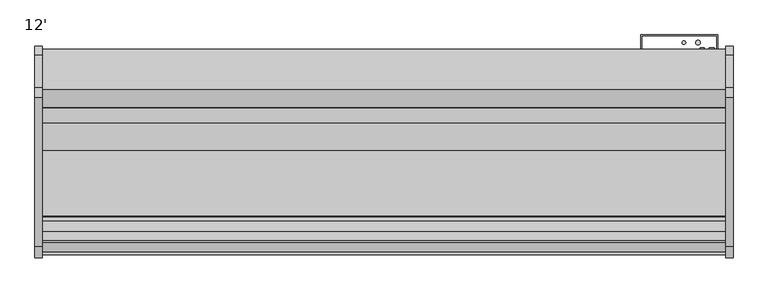
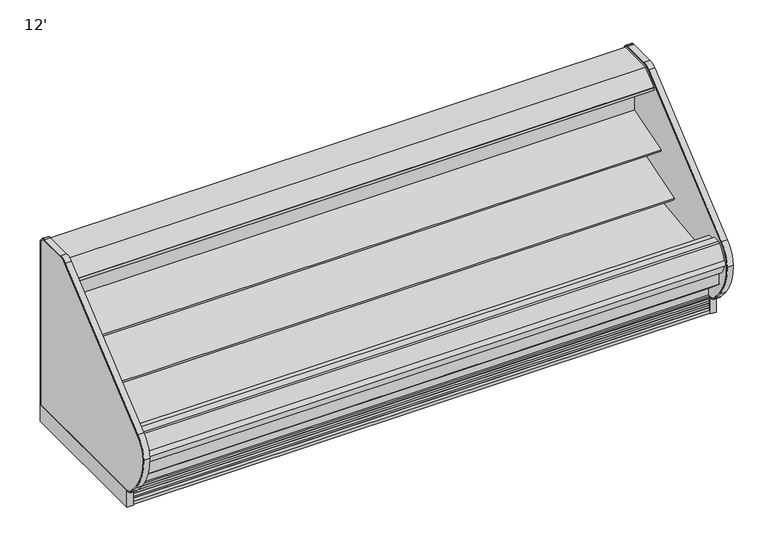
"""IFC4 building model written with IfcOpenShell, lengths in millimetres: proxy geometry, 12'."""

import ifcopenshell
import ifcopenshell.guid

model = None  # the IFC model being written
_history = None  # IfcOwnerHistory: only IFC2X3 demands one
_inside = {}  # id of a spatial element -> (the spatial element, [elements in it])
_under = {}  # id of a project, library or spatial element -> (it, [spatial elements below it])
_declared = {}  # id of a project -> (the project, [libraries it declares])
_typed = {}  # id of a type object -> (the type object, [elements of that type])
_made_of = {}  # id of a material, layer set ... -> (it, [elements and type objects made of it])


def new_model(schema):
    """Start an empty IFC model of exactly this schema.

    Asked for "IFC4X3", IfcOpenShell would pick the latest addendum, in which some entities
    have other attributes; the version numbers below select the first issue.
    IFC2X3 requires an IfcOwnerHistory on every rooted entity: one is made here for all.
    """
    global model, _history
    if schema == "IFC4X3":
        model = ifcopenshell.file(schema_version=(4, 3, 0, 0))
    else:
        model = ifcopenshell.file(schema=schema)
    _inside.clear()
    _under.clear()
    _declared.clear()
    _typed.clear()
    _made_of.clear()
    _history = None
    if model.schema == "IFC2X3":
        org = make("IfcOrganization", Name="unknown")
        user = make(
            "IfcPersonAndOrganization",
            ThePerson=make("IfcPerson", FamilyName="unknown"),
            TheOrganization=org,
        )
        app = make(
            "IfcApplication",
            ApplicationDeveloper=org,
            Version="unknown",
            ApplicationFullName="unknown",
            ApplicationIdentifier="unknown",
        )
        _history = make(
            "IfcOwnerHistory",
            OwningUser=user,
            OwningApplication=app,
            ChangeAction="ADDED",
            CreationDate=0,
        )
    return model


def make(cls, **values):
    """One entity of the class cls with the attributes given. An attribute that is None is left unset."""
    return model.create_entity(
        cls, **{name: value for name, value in values.items() if value is not None}
    )


def rooted(cls, **values):
    """An entity with a GlobalId (a new one), such as an element, a storey or a relation."""
    return make(cls, GlobalId=ifcopenshell.guid.new(), OwnerHistory=_history, **values)


def si_unit(unit_type, name, prefix=None):
    """IfcSIUnit, for example si_unit("LENGTHUNIT", "METRE", prefix="MILLI")."""
    return make("IfcSIUnit", UnitType=unit_type, Prefix=prefix, Name=name)


def assignment(units):
    """IfcUnitAssignment: the units of a project."""
    return None if units is None else make("IfcUnitAssignment", Units=units)


def point(xyz):
    """IfcCartesianPoint."""
    return None if xyz is None else make("IfcCartesianPoint", Coordinates=xyz)


def direction(xyz):
    """IfcDirection."""
    return None if xyz is None else make("IfcDirection", DirectionRatios=xyz)


def frame(location, z_axis=None, x_axis=None):
    """IfcAxis2Placement3D, a coordinate frame: its origin and axes. An axis left out is left unset."""
    return make(
        "IfcAxis2Placement3D",
        Location=point(location),
        Axis=direction(z_axis),
        RefDirection=direction(x_axis),
    )


def frame_2d(location, x_axis=None):
    """IfcAxis2Placement2D, a coordinate frame in the plane: its origin and x axis."""
    return make(
        "IfcAxis2Placement2D", Location=point(location), RefDirection=direction(x_axis)
    )


def origin():
    """The frame at (0, 0, 0) with its axes left unset."""
    return frame((0.0, 0.0, 0.0))


def origin_with_axes():
    """The frame at (0, 0, 0) with the z axis (0, 0, 1) and the x axis (1, 0, 0) written out."""
    return frame((0.0, 0.0, 0.0), z_axis=(0.0, 0.0, 1.0), x_axis=(1.0, 0.0, 0.0))


def place(relative_to, where):
    """IfcLocalPlacement: puts the frame where relative to a parent placement (None: the world)."""
    return make(
        "IfcLocalPlacement", PlacementRelTo=relative_to, RelativePlacement=where
    )


def context(
    kind, dimensions, precision=None, world=None, true_north=None, identifier=None
):
    """IfcGeometricRepresentationContext, for example the 3D "Model" context."""
    return make(
        "IfcGeometricRepresentationContext",
        ContextIdentifier=identifier,
        ContextType=kind,
        CoordinateSpaceDimension=dimensions,
        Precision=precision,
        WorldCoordinateSystem=world,
        TrueNorth=true_north,
    )


def project(units=None, contexts=None):
    """IfcProject with its units and contexts."""
    return rooted(
        "IfcProject",
        Name="project",
        RepresentationContexts=contexts,
        UnitsInContext=assignment(units),
    )


def spatial(cls, under=None, at=None, **own):
    """A site, building, storey or space (cls), placed at a placement, below another one or the project."""
    s = rooted(cls, ObjectPlacement=at, **own)
    if under is not None:
        _under.setdefault(under.id(), (under, []))[1].append(s)
    return s


def polyline(points):
    """IfcPolyline through the points."""
    return make("IfcPolyline", Points=[point(p) for p in points])


def circle_curve(where, radius):
    """IfcCircle in the frame where."""
    return make("IfcCircle", Position=where, Radius=radius)


def trimmed(basis, trim1, trim2, sense, master):
    """IfcTrimmedCurve: the piece of a basis curve between two trims."""
    return make(
        "IfcTrimmedCurve",
        BasisCurve=basis,
        Trim1=trim1,
        Trim2=trim2,
        SenseAgreement=sense,
        MasterRepresentation=master,
    )


def segment(curve, same_sense, transition):
    """IfcCompositeCurveSegment."""
    return make(
        "IfcCompositeCurveSegment",
        Transition=transition,
        SameSense=same_sense,
        ParentCurve=curve,
    )


def composite_curve(segments, self_intersect=None):
    """IfcCompositeCurve: segments joined end to end."""
    return make("IfcCompositeCurve", Segments=segments, SelfIntersect=self_intersect)


def outline(outer, holes=None, kind="AREA"):
    """IfcArbitraryClosedProfileDef: a profile drawn as a closed curve; with holes, ...WithVoids."""
    if holes is None:
        return make("IfcArbitraryClosedProfileDef", ProfileType=kind, OuterCurve=outer)
    return make(
        "IfcArbitraryProfileDefWithVoids",
        ProfileType=kind,
        OuterCurve=outer,
        InnerCurves=holes,
    )


def extrude(swept, where, along, depth):
    """IfcExtrudedAreaSolid: the profile swept, set in the frame where, extruded along a direction by depth."""
    return make(
        "IfcExtrudedAreaSolid",
        SweptArea=swept,
        Position=where,
        ExtrudedDirection=direction(along),
        Depth=depth,
    )


def shape(context_of_items, identifier, shape_type, items):
    """IfcShapeRepresentation: the items that make up one representation, for example the "Body"."""
    return make(
        "IfcShapeRepresentation",
        ContextOfItems=context_of_items,
        RepresentationIdentifier=identifier,
        RepresentationType=shape_type,
        Items=items,
    )


def source(mapping_origin, context_of_items, identifier, shape_type, items):
    """IfcRepresentationMap: a shape defined once, which mapped items show again and again."""
    return make(
        "IfcRepresentationMap",
        MappingOrigin=mapping_origin,
        MappedRepresentation=shape(context_of_items, identifier, shape_type, items),
    )


def transform(
    local_origin,
    x_axis=None,
    y_axis=None,
    z_axis=None,
    scale=None,
    scale2=None,
    scale3=None,
    uniform=True,
):
    """IfcCartesianTransformationOperator3D, or its non-uniform kind. x_axis, y_axis, z_axis: its Axis1, 2, 3."""
    if uniform:
        return make(
            "IfcCartesianTransformationOperator3D",
            Axis1=direction(x_axis),
            Axis2=direction(y_axis),
            LocalOrigin=point(local_origin),
            Scale=scale,
            Axis3=direction(z_axis),
        )
    return make(
        "IfcCartesianTransformationOperator3DnonUniform",
        Axis1=direction(x_axis),
        Axis2=direction(y_axis),
        LocalOrigin=point(local_origin),
        Scale=scale,
        Axis3=direction(z_axis),
        Scale2=scale2,
        Scale3=scale3,
    )


def mapped(mapping_source, mapping_target):
    """IfcMappedItem: shows the shape of a source again, moved by a transform."""
    return make(
        "IfcMappedItem", MappingSource=mapping_source, MappingTarget=mapping_target
    )


def made_of(thing, what):
    """Note that an element or type object is made of a material, layer set ...; save() writes the relation."""
    if what is not None:
        _made_of.setdefault(what.id(), (what, []))[1].append(thing)
    return thing


def element(
    cls,
    number,
    at=None,
    inside=None,
    cuts=None,
    type_object=None,
    material=None,
    context=None,
    identifier="Body",
    shape_type=None,
    held_by="IfcProductDefinitionShape",
    body=None,
    shapes=None,
    **own,
):
    """One element of the class cls, such as IfcWall. Its Tag is "e" and its number.

    at: its placement. inside: the storey or other place that contains it. cuts: it is an
    opening in that element (IfcRelVoidsElement). A single representation is given by context,
    identifier, shape_type and body (its items); several are given by shapes. held_by: the class
    of the entity that holds the representations. save() writes the other relations.
    """
    e = rooted(cls, Tag="e%d" % number, ObjectPlacement=at, **own)
    if body is not None:
        shapes = [shape(context, identifier, shape_type, body)]
    if shapes is not None:
        e.Representation = make(held_by, Representations=shapes)
    if inside is not None:
        _inside.setdefault(inside.id(), (inside, []))[1].append(e)
    if cuts is not None:
        rooted(
            "IfcRelVoidsElement", RelatingBuildingElement=cuts, RelatedOpeningElement=e
        )
    if type_object is not None:
        _typed.setdefault(type_object.id(), (type_object, []))[1].append(e)
    return made_of(e, material)


def aggregate(whole, parts):
    """IfcRelAggregates: a whole, such as a stair, and the parts it consists of."""
    return rooted("IfcRelAggregates", RelatingObject=whole, RelatedObjects=parts)


def save(model, path):
    """Write the relations noted so far, then the file.

    IfcRelAggregates (storeys below a building ...), IfcRelContainedInSpatialStructure (elements
    in a storey), IfcRelDefinesByType, IfcRelAssociatesMaterial and IfcRelDeclares: one each for
    every whole, place, type object, material and project.
    """
    for whole, parts in _under.values():
        aggregate(whole, parts)
    for where, things in _inside.values():
        rooted(
            "IfcRelContainedInSpatialStructure",
            RelatedElements=things,
            RelatingStructure=where,
        )
    for kind, things in _typed.values():
        rooted("IfcRelDefinesByType", RelatedObjects=things, RelatingType=kind)
    for what, things in _made_of.values():
        rooted("IfcRelAssociatesMaterial", RelatedObjects=things, RelatingMaterial=what)
    for by, libraries in _declared.values():
        rooted("IfcRelDeclares", RelatingContext=by, RelatedDefinitions=libraries)
    model.write(path)


def plane_surface(at):
    """IfcPlane: the flat surface through the origin of the frame at, square to its z axis."""
    return make("IfcPlane", Position=at)


def cylinder_surface(at, radius):
    """IfcCylindricalSurface: all points at the distance radius from the z axis of the frame at."""
    return make("IfcCylindricalSurface", Position=at, Radius=radius)


def revolved_surface(curve, axis_point, axis_direction):
    """IfcSurfaceOfRevolution: the curve turned about the line through axis_point along axis_direction."""
    return make(
        "IfcSurfaceOfRevolution",
        SweptCurve=make("IfcArbitraryOpenProfileDef", ProfileType="CURVE", Curve=curve),
        AxisPosition=make("IfcAxis1Placement", Location=point(axis_point), Axis=direction(axis_direction)),
    )


def advanced_brep(points, edges, surfaces, faces):
    """IfcAdvancedBrep: a solid bounded by faces that lie on surfaces and meet in shared edges.

    An edge is (start, end): straight between two places in points (the first is 0);
    or (start, end, curve); or (start, end, curve, False) where it runs against its curve.
    A face is (place in surfaces, loops), or (place, loops, False) where it looks against
    its surface's normal. A loop lists edges by number (the first is 1), with a minus sign
    where the edge is run from its end to its start. The first loop is the outer one.
    """
    corners = [point(p) for p in points]
    vertices = [make("IfcVertexPoint", VertexGeometry=c) for c in corners]
    made = []
    for start, end, *more in edges:
        made.append(
            make(
                "IfcEdgeCurve",
                EdgeStart=vertices[start],
                EdgeEnd=vertices[end],
                EdgeGeometry=more[0] if more else make("IfcPolyline", Points=[corners[start], corners[end]]),
                SameSense=more[1] if len(more) > 1 else True,
            )
        )
    hull = []
    for where, loops, *sense in faces:
        bounds = []
        for j, loop in enumerate(loops):
            ring = [make("IfcOrientedEdge", EdgeElement=made[abs(k) - 1], Orientation=k > 0) for k in loop]
            bounds.append(
                make(
                    "IfcFaceOuterBound" if j == 0 else "IfcFaceBound",
                    Bound=make("IfcEdgeLoop", EdgeList=ring),
                    Orientation=True,
                )
            )
        hull.append(make("IfcAdvancedFace", Bounds=bounds, FaceSurface=surfaces[where], SameSense=sense[0] if sense else True))
    return make("IfcAdvancedBrep", Outer=make("IfcClosedShell", CfsFaces=hull))


def proxy_12_c8f3f710(model_context):
    return source(origin(), model_context, "Body", "SolidModel", [
        extrude(outline(composite_curve([segment(trimmed(circle_curve(frame_2d((3409.8252137, -1128.5839273)), 9.525), [point((3400.3002137, -1128.5839273))], [point((3419.3502137, -1128.5839273))], False, "CARTESIAN"), True, "CONTINUOUS"), segment(trimmed(circle_curve(frame_2d((3409.8252137, -1128.5839273)), 9.525), [point((3419.3502137, -1128.5839273))], [point((3400.3002137, -1128.5839273))], False, "CARTESIAN"), True, "CONTINUOUS")], self_intersect=False)), frame((0.0, 0.0, 68.5310382), z_axis=(0.0, 0.0, 1.0), x_axis=(1.0, 0.0, 0.0)), (0.0, 0.0, 1.0), 52.7807458),
        extrude(outline(composite_curve([segment(trimmed(circle_curve(frame_2d((3459.479026, -1128.5839273)), 12.7), [point((3446.779026, -1128.5839273))], [point((3472.179026, -1128.5839273))], False, "CARTESIAN"), True, "CONTINUOUS"), segment(trimmed(circle_curve(frame_2d((3459.479026, -1128.5839273)), 12.7), [point((3472.179026, -1128.5839273))], [point((3446.779026, -1128.5839273))], False, "CARTESIAN"), True, "CONTINUOUS")], self_intersect=False)), frame((0.0, 0.0, 68.5310382), z_axis=(0.0, 0.0, 1.0), x_axis=(1.0, 0.0, 0.0)), (0.0, 0.0, 1.0), 52.7807458),
        extrude(outline(composite_curve([segment(polyline([(-514.5184043, 1137.9230838), (-504.8108903, 1140.9213787), (-504.5441858, 1140.0578752), (-503.4770145, 1140.0578752), (-503.4770145, 1046.2935435), (-528.7722287, 1042.7407473)]), True, "CONTINUOUS"), segment(trimmed(circle_curve(frame_2d((-528.9121117, 1044.3144225)), 1.57988), [point((-528.7722287, 1042.7407473))], [point((-530.4766164, 1044.0945457))], False, "CARTESIAN"), True, "CONTINUOUS"), segment(polyline([(-530.4766164, 1044.0945457), (-531.3614261, 1050.3902938), (-530.5766584, 1050.5005857), (-529.5822638, 1043.4251005), (-506.0015054, 1046.73916), (-520.0975442, 1147.0376871), (-542.8581255, 1144.0153314)]), True, "CONTINUOUS"), segment(trimmed(circle_curve(frame_2d((-542.7544773, 1143.234783)), 0.7874), [point((-542.8581255, 1144.0153314))], [point((-543.5350257, 1143.1311347))], True, "CARTESIAN"), True, "CONTINUOUS"), segment(polyline([(-543.5350257, 1143.1311347), (-542.5119167, 1135.4263646), (-543.2924653, 1135.3227184), (-544.3155741, 1143.0274865)]), True, "CONTINUOUS"), segment(trimmed(circle_curve(frame_2d((-542.7544773, 1143.234783)), 1.5748), [point((-544.3155741, 1143.0274865))], [point((-542.9617738, 1144.7958798))], False, "CARTESIAN"), True, "CONTINUOUS"), segment(polyline([(-542.9617738, 1144.7958798), (-518.9973626, 1147.9780909)]), True, "CONTINUOUS"), segment(trimmed(circle_curve(frame_2d((-518.7900661, 1146.4169941)), 1.5748), [point((-518.9973626, 1147.9780909))], [point((-517.2854014, 1146.8817298))], False, "CARTESIAN"), True, "CONTINUOUS"), segment(polyline([(-517.2854014, 1146.8817298), (-514.5184043, 1137.9230838)]), True, "CONTINUOUS")], self_intersect=False)), frame((0.0, 0.0, 0.0), z_axis=(1.0, 0.0, 0.0), x_axis=(0.0, 1.0, 0.0)), (0.0, 0.0, 1.0), 3657.6),
        extrude(outline(polyline([(-401.5419232, 1219.2), (-401.5419232, 1172.7720648), (-452.3089273, 1172.7720648), (-452.3089273, 1140.0578752), (-504.5441858, 1140.0578752), (-506.6234348, 1146.7898143), (-511.417881, 1145.3089857), (-535.4879211, 1173.9945425), (-642.2562389, 1173.9945425), (-643.0944389, 1173.1563425), (-643.0944389, 1162.0311425), (-643.6525285, 1160.8523324), (-688.2903714, 1124.2763324), (-689.2562818, 1123.9311425), (-700.752905, 1123.9311425), (-700.752905, 1121.9993669), (-715.8339273, 1121.9993669), (-715.8339273, 1140.2683169), (-715.2407658, 1141.5119059), (-619.3039593, 1219.2), (-401.5419232, 1219.2)])), frame((0.0, 0.0, 0.0), z_axis=(1.0, 0.0, 0.0), x_axis=(0.0, 1.0, 0.0)), (0.0, 0.0, 1.0), 3657.6),
        extrude(outline(composite_curve([segment(polyline([(-506.0015054, 1046.73916), (-529.5822638, 1043.4251005), (-530.5766584, 1050.5005857), (-542.5070926, 1135.3900359), (-543.5350257, 1143.1311347)]), True, "CONTINUOUS"), segment(trimmed(circle_curve(frame_2d((-542.7544773, 1143.234783)), 0.7874), [point((-543.5350257, 1143.1311347))], [point((-542.8581255, 1144.0153314))], False, "CARTESIAN"), True, "CONTINUOUS"), segment(polyline([(-542.8581255, 1144.0153314), (-520.0975442, 1147.0376871), (-506.0015054, 1046.73916)]), True, "CONTINUOUS")], self_intersect=False)), frame((0.0, 0.0, 0.0), z_axis=(1.0, 0.0, 0.0), x_axis=(0.0, 1.0, 0.0)), (0.0, 0.0, 1.0), 3657.6),
        extrude(outline(composite_curve([segment(trimmed(circle_curve(frame_2d((-587.0366389, 1151.3155175)), 14.2875), [point((-601.3241389, 1151.3155175))], [point((-572.7491389, 1151.3155175))], False, "CARTESIAN"), True, "CONTINUOUS"), segment(trimmed(circle_curve(frame_2d((-587.0366389, 1151.3155175)), 14.2875), [point((-572.7491389, 1151.3155175))], [point((-601.3241389, 1151.3155175))], False, "CARTESIAN"), True, "CONTINUOUS")], self_intersect=False)), frame((0.0, 0.0, 0.0), z_axis=(1.0, 0.0, 0.0), x_axis=(0.0, 1.0, 0.0)), (0.0, 0.0, 1.0), 3657.6),
        extrude(outline(composite_curve([segment(trimmed(circle_curve(frame_2d((-624.4254389, 1151.3155175)), 14.2875), [point((-638.7129389, 1151.3155175))], [point((-610.1379389, 1151.3155175))], False, "CARTESIAN"), True, "CONTINUOUS"), segment(trimmed(circle_curve(frame_2d((-624.4254389, 1151.3155175)), 14.2875), [point((-610.1379389, 1151.3155175))], [point((-638.7129389, 1151.3155175))], False, "CARTESIAN"), True, "CONTINUOUS")], self_intersect=False)), frame((0.0, 0.0, 0.0), z_axis=(1.0, 0.0, 0.0), x_axis=(0.0, 1.0, 0.0)), (0.0, 0.0, 1.0), 3657.6),
        extrude(outline(polyline([(3606.9852968, -401.5089273), (3606.9852968, -328.4839273), (3207.094795, -328.4839273), (3207.094795, -401.5089273), (3203.1108738, -401.5089273), (3203.1108738, -325.3089273), (3613.15, -325.3089273), (3613.15, -401.5089273), (3606.9852968, -401.5089273)])), frame((0.0, 0.0, 183.281282), z_axis=(0.0, 0.0, 1.0), x_axis=(1.0, 0.0, 0.0)), (0.0, 0.0, 1.0), 925.9383854),
        advanced_brep(
        [(0.0, -401.5089273, 1172.7720648), (0.0, -401.5089273, 130.175), (0.0, -1280.7758002, 130.175), (0.0, -1430.5207837, 255.8259604), (0.0, -1430.5207837, 390.4771975), (0.0, -1379.5124455, 390.4771975), (0.0, -1379.5124455, 334.3739209), (0.0, -1221.964683, 189.2843753), (0.0, -1163.9200968, 157.108203), (0.0, -1097.1040899, 157.108203), (0.0, -1043.9921866, 195.6902403), (0.0, -599.382701, 211.674682), (0.0, -452.3089273, 350.7638053), (0.0, -452.3089273, 1172.7720648), (3657.6, -401.5089273, 1172.7720648), (3657.6, -452.3089273, 1172.7720648), (3657.6, -452.3089273, 350.7638053), (3657.6, -599.382701, 211.674682), (3657.6, -1043.9921866, 195.6902403), (3657.6, -1097.1040899, 157.108203), (3657.6, -1163.9200968, 157.108203), (3657.6, -1221.964683, 189.2843753), (3657.6, -1379.5124455, 334.3739209), (3657.6, -1379.5124455, 390.4771975), (3657.6, -1430.5207837, 390.4771975), (3657.6, -1430.5207837, 255.8259604), (3657.6, -1280.7758002, 130.175), (3657.6, -401.5089273, 130.175), (3556.0, -401.5089273, 417.7254285), (3556.0, -401.5089273, 316.1254285), (3556.0, -446.7209273, 316.1254285), (3556.0, -446.7209273, 417.7254285)],
        [
            (0, 1),
            (1, 2),
            (2, 3),
            (3, 4),
            (4, 5),
            (5, 6),
            (6, 7, circle_curve(frame((0.0, -1227.2834533, 341.5915343), z_axis=(1.0, 0.0, 0.0), x_axis=(0.0, 1.0, 0.0)), 152.4)),
            (7, 8),
            (8, 9),
            (9, 10),
            (10, 11),
            (11, 12, circle_curve(frame((0.0, -604.8944357, 364.8057873), z_axis=(1.0, 0.0, 0.0), x_axis=(0.0, 1.0, 0.0)), 153.2302667)),
            (12, 13),
            (13, 0),
            (14, 15),
            (15, 16),
            (16, 17, circle_curve(frame((3657.6, -604.8944357, 364.8057873), z_axis=(-1.0, 0.0, 0.0), x_axis=(0.0, 1.0, 0.0)), 153.2302667)),
            (17, 18),
            (18, 19),
            (19, 20),
            (20, 21),
            (21, 22, circle_curve(frame((3657.6, -1227.2834533, 341.5915343), z_axis=(-1.0, 0.0, 0.0), x_axis=(0.0, 1.0, 0.0)), 152.4)),
            (22, 23),
            (23, 24),
            (24, 25),
            (25, 26),
            (26, 27),
            (27, 14),
            (13, 15),
            (14, 0),
            (12, 16),
            (5, 23),
            (22, 6),
            (4, 24),
            (3, 25),
            (2, 26),
            (1, 27),
            (28, 29, circle_curve(frame((3556.0, -401.5089273, 366.9254285), z_axis=(0.0, -1.0, 0.0), x_axis=(0.0, 0.0, 1.0)), 50.8)),
            (29, 28, circle_curve(frame((3556.0, -401.5089273, 366.9254285), z_axis=(0.0, -1.0, 0.0), x_axis=(0.0, 0.0, 1.0)), 50.8)),
            (11, 17),
            (10, 18),
            (9, 19),
            (8, 20),
            (7, 21),
            (30, 31, circle_curve(frame((3556.0, -446.7209273, 366.9254285), z_axis=(0.0, 1.0, 0.0), x_axis=(0.0, 0.0, 1.0)), 50.8)),
            (31, 30, circle_curve(frame((3556.0, -446.7209273, 366.9254285), z_axis=(0.0, 1.0, 0.0), x_axis=(0.0, 0.0, 1.0)), 50.8)),
            (30, 29),
            (28, 31),
        ],
        [
            plane_surface(frame((0.0, -452.3089273, 1172.7720648), z_axis=(-1.0, 0.0, 0.0), x_axis=(0.0, 1.0, 0.0))),
            plane_surface(frame((3657.6, -452.3089273, 1172.7720648), z_axis=(1.0, 0.0, 0.0), x_axis=(0.0, -1.0, 0.0))),
            plane_surface(frame((3657.6, -401.5089273, 1172.7720648), z_axis=(0.0, 0.0, 1.0), x_axis=(-1.0, 0.0, 0.0))),
            plane_surface(frame((3657.6, -452.3089273, 1172.7720648), z_axis=(0.0, -1.0, 0.0), x_axis=(-1.0, 0.0, 0.0))),
            plane_surface(frame((3657.6, -1379.5124455, 334.3739209), z_axis=(0.0, 1.0, 0.0), x_axis=(-1.0, 0.0, 0.0))),
            plane_surface(frame((3657.6, -1379.5124455, 390.4771975), z_axis=(0.0, 0.0, 1.0), x_axis=(-1.0, 0.0, 0.0))),
            plane_surface(frame((3657.6, -1430.5207837, 390.4771975), z_axis=(0.0, -1.0, 0.0), x_axis=(-1.0, 0.0, 0.0))),
            plane_surface(frame((3657.6, -1430.5207837, 255.8259604), z_axis=(0.0, -0.6427876096870797, -0.7660444431185247), x_axis=(-1.0, 0.0, 0.0))),
            plane_surface(frame((3657.6, -1280.7758002, 130.175), z_axis=(0.0, 0.0, -1.0), x_axis=(-1.0, 0.0, 0.0))),
            plane_surface(frame((3657.6, -401.5089273, 130.175), z_axis=(0.0, 1.0, 0.0), x_axis=(-1.0, 0.0, 0.0))),
            revolved_surface(polyline([(0.0, -451.664169, 364.8057873), (3657.6, -451.664169, 364.8057873)]), (0.0, -604.8944357, 364.8057873), (-1.0, 0.0, 0.0)),
            plane_surface(frame((3657.6, -599.382701, 211.674682), z_axis=(0.0, -0.03592843195619589, 0.9993543654666092), x_axis=(-1.0, 0.0, 0.0))),
            plane_surface(frame((3657.6, -1043.9921866, 195.6902403), z_axis=(0.0, -0.5877252382161418, 0.8090605937528904), x_axis=(-1.0, 0.0, 0.0))),
            plane_surface(frame((3657.6, -1097.1040899, 157.108203), z_axis=(0.0, 0.0, 1.0), x_axis=(-1.0, 0.0, 0.0))),
            plane_surface(frame((3657.6, -1163.9200968, 157.108203), z_axis=(0.0, 0.4848272875913505, 0.8746099137368694), x_axis=(-1.0, 0.0, 0.0))),
            revolved_surface(polyline([(0.0, -1074.8834533, 341.5915343), (3657.6, -1074.8834533, 341.5915343)]), (0.0, -1227.2834533, 341.5915343), (-1.0, 0.0, 0.0)),
            plane_surface(frame((3556.0, -446.7209273, 417.7254285), z_axis=(0.0, 1.0, 0.0), x_axis=(-1.0, 0.0, 0.0))),
            revolved_surface(polyline([(3556.0, -401.5089273, 417.7254285), (3556.0, -446.7209273, 417.7254285)]), (3556.0, -446.7209273, 366.9254285), (0.0, 1.0, 0.0)),
        ],
        [
            (0, [[1, 2, 3, 4, 5, 6, 7, 8, 9, 10, 11, 12, 13, 14]]),
            (1, [[15, 16, 17, 18, 19, 20, 21, 22, 23, 24, 25, 26, 27, 28]]),
            (2, [[-14, 29, -15, 30]]),
            (3, [[-13, 31, -16, -29]]),
            (4, [[-6, 32, -23, 33]]),
            (5, [[-5, 34, -24, -32]]),
            (6, [[-4, 35, -25, -34]]),
            (7, [[-3, 36, -26, -35]]),
            (8, [[-2, 37, -27, -36]]),
            (9, [[-1, -30, -28, -37], [38, 39]]),
            (10, [[-12, 40, -17, -31]]),
            (11, [[-11, 41, -18, -40]]),
            (12, [[-10, 42, -19, -41]]),
            (13, [[-9, 43, -20, -42]]),
            (14, [[-8, 44, -21, -43]]),
            (15, [[-7, -33, -22, -44]]),
            (16, [[45, 46]]),
            (17, [[-45, 47, -38, 48]]),
            (17, [[-46, -48, -39, -47]]),
        ],
    ),
        extrude(outline(composite_curve([segment(polyline([(-503.4770145, 861.6565177), (-503.4770145, 783.44874), (-520.8520366, 777.8119162)]), True, "CONTINUOUS"), segment(trimmed(circle_curve(frame_2d((-528.6901714, 801.9722896)), 25.4), [point((-520.8520366, 777.8119162))], [point((-538.1963728, 778.4182637))], False, "CARTESIAN"), True, "CONTINUOUS"), segment(polyline([(-538.1963728, 778.4182637), (-559.4917707, 787.0129023)]), True, "CONTINUOUS"), segment(trimmed(circle_curve(frame_2d((-583.257274, 728.1278376)), 63.5), [point((-559.4917707, 787.0129023))], [point((-594.1259367, 790.6907832))], True, "CARTESIAN"), True, "CONTINUOUS"), segment(polyline([(-594.1259367, 790.6907832), (-731.8940366, 773.3507494), (-734.3236807, 776.2056896), (-790.800009, 758.9391433), (-794.9587042, 772.5416221), (-503.4770145, 861.6565177)]), True, "CONTINUOUS")], self_intersect=False)), frame((0.0, 0.0, 0.0), z_axis=(1.0, 0.0, 0.0), x_axis=(0.0, 1.0, 0.0)), (0.0, 0.0, 1.0), 3657.6),
        extrude(outline(composite_curve([segment(polyline([(-503.4770145, 591.8191637), (-522.1893768, 585.7484786)]), True, "CONTINUOUS"), segment(trimmed(circle_curve(frame_2d((-530.0275116, 609.908852)), 25.4), [point((-522.1893768, 585.7484786))], [point((-539.533713, 586.3548261))], False, "CARTESIAN"), True, "CONTINUOUS"), segment(polyline([(-539.533713, 586.3548261), (-560.8291108, 594.9494647)]), True, "CONTINUOUS"), segment(trimmed(circle_curve(frame_2d((-584.5946142, 536.0644)), 63.5), [point((-560.8291108, 594.9494647))], [point((-595.4632769, 598.6273456))], True, "CARTESIAN"), True, "CONTINUOUS"), segment(polyline([(-595.4632769, 598.6273456), (-783.1797893, 566.0165496), (-785.6094334, 568.8714898), (-936.5408538, 522.7271238), (-940.699549, 536.3296027), (-503.4770145, 670.0019461), (-503.4770145, 591.8191637)]), True, "CONTINUOUS")], self_intersect=False)), frame((0.0, 0.0, 0.0), z_axis=(1.0, 0.0, 0.0), x_axis=(0.0, 1.0, 0.0)), (0.0, 0.0, 1.0), 3657.6),
        extrude(outline(composite_curve([segment(trimmed(circle_curve(frame_2d((-1482.5436564, 431.7775332)), 17.7832634), [point((-1486.5018278, 414.4403669))], [point((-1485.8670799, 449.2474878))], False, "CARTESIAN"), True, "CONTINUOUS"), segment(trimmed(circle_curve(frame_2d((-1314.6679362, 401.3886708)), 177.7628003), [point((-1485.8670799, 449.2474878))], [point((-1488.2158442, 439.8690139))], True, "CARTESIAN"), True, "CONTINUOUS"), segment(trimmed(circle_curve(frame_2d((-1361.2858552, 435.6526323)), 126.9999999), [point((-1488.2158442, 439.8690139))], [point((-1486.5018278, 414.4403669))], True, "CARTESIAN"), True, "CONTINUOUS")], self_intersect=False)), frame((0.0, 0.0, 0.0), z_axis=(1.0, 0.0, 0.0), x_axis=(0.0, 1.0, 0.0)), (0.0, 0.0, 1.0), 3657.6),
        extrude(outline(composite_curve([segment(polyline([(-1430.5207837, 390.4771975), (-1430.5207837, 349.191578), (-1455.8537478, 349.191578)]), True, "CONTINUOUS"), segment(trimmed(circle_curve(frame_2d((-1360.3674523, 434.1532094)), 127.8127984), [point((-1455.8537478, 349.191578))], [point((-1488.0175216, 440.6007866))], False, "CARTESIAN"), True, "CONTINUOUS"), segment(trimmed(circle_curve(frame_2d((-1312.8856615, 403.1660664)), 179.0880417), [point((-1488.0175216, 440.6007866))], [point((-1434.0757284, 535.020131))], False, "CARTESIAN"), True, "CONTINUOUS"), segment(trimmed(circle_curve(frame_2d((-1421.997786, 522.055071)), 17.7191838), [point((-1434.0757284, 535.020131))], [point((-1422.9245877, 539.75))], False, "CARTESIAN"), True, "CONTINUOUS"), segment(polyline([(-1422.9245877, 539.75), (-1377.3315877, 539.75), (-1377.3315877, 520.4426474), (-1379.5124455, 520.4426474), (-1379.5124455, 390.4771975), (-1430.5207837, 390.4771975)]), True, "CONTINUOUS")], self_intersect=False)), frame((0.0, 0.0, 0.0), z_axis=(1.0, 0.0, 0.0), x_axis=(0.0, 1.0, 0.0)), (0.0, 0.0, 1.0), 3657.6),
        extrude(outline(composite_curve([segment(polyline([(-1305.8908654, 151.2490419), (-1305.8908654, 0.0), (-1329.0357106, 0.0), (-1329.0357106, 19.9045671)]), True, "CONTINUOUS"), segment(trimmed(circle_curve(frame_2d((-1328.499887, 33.5999438)), 13.7058546), [point((-1329.0357106, 19.9045671))], [point((-1315.4179076, 29.51188))], True, "CARTESIAN"), True, "CONTINUOUS"), segment(polyline([(-1315.4179076, 29.51188), (-1311.9288106, 40.67714), (-1322.5660058, 38.5193172), (-1324.5599058, 38.5193172), (-1324.5599058, 51.2193172)]), True, "CONTINUOUS"), segment(trimmed(circle_curve(frame_2d((-1328.9777736, 64.7214645)), 14.2065314), [point((-1324.5599058, 51.2193172))], [point((-1315.4179076, 60.4840631))], True, "CARTESIAN"), True, "CONTINUOUS"), segment(polyline([(-1315.4179076, 60.4840631), (-1311.9288106, 71.6493231), (-1322.5660058, 69.4915004), (-1324.5599058, 69.4915004), (-1324.5599058, 82.1915004)]), True, "CONTINUOUS"), segment(trimmed(circle_curve(frame_2d((-1329.0501489, 95.765064)), 14.2969897), [point((-1324.5599058, 82.1915004))], [point((-1315.4179076, 91.4562462))], True, "CARTESIAN"), True, "CONTINUOUS"), segment(polyline([(-1315.4179076, 91.4562462), (-1311.9288106, 102.4950543), (-1322.5660058, 100.4638704), (-1324.5599058, 100.4638704), (-1324.5599058, 113.1638704)]), True, "CONTINUOUS"), segment(trimmed(circle_curve(frame_2d((-1323.9621412, 124.1285303)), 10.9809422), [point((-1324.5599058, 113.1638704))], [point((-1316.1764071, 116.3849243))], True, "CARTESIAN"), True, "CONTINUOUS"), segment(polyline([(-1316.1764071, 116.3849243), (-1316.1764071, 159.8796362), (-1305.8908654, 151.2490419)]), True, "CONTINUOUS")], self_intersect=False)), frame((0.0, 0.0, 0.0), z_axis=(1.0, 0.0, 0.0), x_axis=(0.0, 1.0, 0.0)), (0.0, 0.0, 1.0), 3657.6),
        extrude(outline(composite_curve([segment(trimmed(circle_curve(frame_2d((3432.175, -366.5839273)), 9.525), [point((3422.65, -366.5839273))], [point((3441.7, -366.5839273))], False, "CARTESIAN"), True, "CONTINUOUS"), segment(trimmed(circle_curve(frame_2d((3432.175, -366.5839273)), 9.525), [point((3441.7, -366.5839273))], [point((3422.65, -366.5839273))], False, "CARTESIAN"), True, "CONTINUOUS")], self_intersect=False)), frame((0.0, 0.0, 794.9666444), z_axis=(0.0, 0.0, 1.0), x_axis=(1.0, 0.0, 0.0)), (0.0, 0.0, 1.0), 340.5657556),
        extrude(outline(composite_curve([segment(trimmed(circle_curve(frame_2d((3508.375, -366.5839273)), 12.7), [point((3495.675, -366.5839273))], [point((3521.075, -366.5839273))], False, "CARTESIAN"), True, "CONTINUOUS"), segment(trimmed(circle_curve(frame_2d((3508.375, -366.5839273)), 12.7), [point((3521.075, -366.5839273))], [point((3495.675, -366.5839273))], False, "CARTESIAN"), True, "CONTINUOUS")], self_intersect=False)), frame((0.0, 0.0, 794.9666444), z_axis=(0.0, 0.0, 1.0), x_axis=(1.0, 0.0, 0.0)), (0.0, 0.0, 1.0), 340.5657556),
        extrude(outline(composite_curve([segment(trimmed(circle_curve(frame_2d((368.3, 3581.4)), 12.7), [point((368.3, 3594.1))], [point((368.3, 3568.7))], False, "CARTESIAN"), True, "CONTINUOUS"), segment(trimmed(circle_curve(frame_2d((368.3, 3581.4)), 12.7), [point((368.3, 3568.7))], [point((368.3, 3594.1))], False, "CARTESIAN"), True, "CONTINUOUS")], self_intersect=False)), frame((0.0, -446.7209273, 0.0), z_axis=(0.0, 1.0, 0.0), x_axis=(0.0, 0.0, 1.0)), (0.0, 0.0, 1.0), 52.8518438),
        extrude(outline(composite_curve([segment(trimmed(circle_curve(frame_2d((368.3, 3530.6)), 9.525), [point((368.3, 3540.125))], [point((368.3, 3521.075))], False, "CARTESIAN"), True, "CONTINUOUS"), segment(trimmed(circle_curve(frame_2d((368.3, 3530.6)), 9.525), [point((368.3, 3521.075))], [point((368.3, 3540.125))], False, "CARTESIAN"), True, "CONTINUOUS")], self_intersect=False)), frame((0.0, -446.7209273, 0.0), z_axis=(0.0, 1.0, 0.0), x_axis=(0.0, 0.0, 1.0)), (0.0, 0.0, 1.0), 52.8518438),
        extrude(outline(composite_curve([segment(trimmed(circle_curve(frame_2d((1828.8, -1125.4089273)), 38.1), [point((1790.7, -1125.4089273))], [point((1866.9, -1125.4089273))], False, "CARTESIAN"), True, "CONTINUOUS"), segment(trimmed(circle_curve(frame_2d((1828.8, -1125.4089273)), 38.1), [point((1866.9, -1125.4089273))], [point((1790.7, -1125.4089273))], False, "CARTESIAN"), True, "CONTINUOUS")], self_intersect=False)), frame((0.0, 0.0, 68.5310382), z_axis=(0.0, 0.0, 1.0), x_axis=(1.0, 0.0, 0.0)), (0.0, 0.0, 1.0), 52.7807458),
        extrude(outline(polyline([(-1207.4658654, 16.9113003), (-1305.8908654, 16.9113003), (-1305.8908654, 151.2490419), (-1280.7758002, 130.175), (-1207.4658654, 130.175), (-1207.4658654, 16.9113003)])), frame((0.0, 0.0, 0.0), z_axis=(1.0, 0.0, 0.0), x_axis=(0.0, 1.0, 0.0)), (0.0, 0.0, 1.0), 3657.6),
        advanced_brep(
        [(0.0, -402.2033041, 130.0758033), (0.0, -402.2033041, -0.0991967), (0.0, -447.4153041, -0.0991967), (0.0, -447.4153041, 74.7818415), (0.0, -1161.2418973, 74.7818415), (0.0, -1161.2418973, -0.0991967), (0.0, -1207.4682506, -0.0991967), (0.0, -1207.4682506, 130.0758033), (3657.6, -402.2033041, 130.0758033), (3657.6, -1207.4682506, 130.0758033), (3657.6, -1207.4682506, -0.0991967), (3657.6, -1161.2418973, -0.0991967), (3657.6, -1161.2418973, 74.7818415), (3657.6, -447.4153041, 74.7818415), (3657.6, -447.4153041, -0.0991967), (3657.6, -402.2033041, -0.0991967), (1792.7911364, -1161.2418973, -0.0991967), (1864.8088636, -1161.2418973, -0.0991967), (3396.4386007, -1161.2418973, -0.0991967), (3474.2613993, -1161.2418973, -0.0991967), (1792.7911364, -1161.2418973, 74.7818415), (3474.2613993, -1161.2418973, 74.7818415), (1864.8088636, -1161.2418973, 74.7818415), (3396.4386007, -1161.2418973, 74.7818415), (3486.15, -1128.5839273, 74.7818415), (3384.55, -1128.5839273, 74.7818415), (1879.6, -1125.4089273, 74.7818415), (1778.0, -1125.4089273, 74.7818415), (1778.0, -1125.4089273, 121.311784), (1879.6, -1125.4089273, 121.311784), (3384.55, -1128.5839273, 121.311784), (3486.15, -1128.5839273, 121.311784)],
        [
            (0, 1),
            (1, 2),
            (2, 3),
            (3, 4),
            (4, 5),
            (5, 6),
            (6, 7),
            (7, 0),
            (8, 9),
            (9, 10),
            (10, 11),
            (11, 12),
            (12, 13),
            (13, 14),
            (14, 15),
            (15, 8),
            (7, 9),
            (8, 0),
            (6, 10),
            (5, 16),
            (16, 17, circle_curve(frame((1828.8, -1125.4089273, -0.0991967), z_axis=(0.0, 0.0, 1.0), x_axis=(1.0, 0.0, 0.0)), 50.8)),
            (17, 18),
            (18, 19, circle_curve(frame((3435.35, -1128.5839273, -0.0991967), z_axis=(0.0, 0.0, 1.0), x_axis=(1.0, 0.0, 0.0)), 50.8)),
            (19, 11),
            (4, 20),
            (20, 16),
            (19, 21),
            (21, 12),
            (17, 22),
            (22, 23),
            (23, 18),
            (3, 13),
            (21, 24, circle_curve(frame((3435.35, -1128.5839273, 74.7818415), z_axis=(0.0, 0.0, 1.0), x_axis=(1.0, 0.0, 0.0)), 50.8)),
            (24, 25, circle_curve(frame((3435.35, -1128.5839273, 74.7818415), z_axis=(0.0, 0.0, 1.0), x_axis=(1.0, 0.0, 0.0)), 50.8)),
            (25, 23, circle_curve(frame((3435.35, -1128.5839273, 74.7818415), z_axis=(0.0, 0.0, 1.0), x_axis=(1.0, 0.0, 0.0)), 50.8)),
            (22, 26, circle_curve(frame((1828.8, -1125.4089273, 74.7818415), z_axis=(0.0, 0.0, 1.0), x_axis=(1.0, 0.0, 0.0)), 50.8)),
            (26, 27, circle_curve(frame((1828.8, -1125.4089273, 74.7818415), z_axis=(0.0, 0.0, 1.0), x_axis=(1.0, 0.0, 0.0)), 50.8)),
            (27, 20, circle_curve(frame((1828.8, -1125.4089273, 74.7818415), z_axis=(0.0, 0.0, 1.0), x_axis=(1.0, 0.0, 0.0)), 50.8)),
            (2, 14),
            (1, 15),
            (28, 29, circle_curve(frame((1828.8, -1125.4089273, 121.311784), z_axis=(0.0, 0.0, -1.0), x_axis=(1.0, 0.0, 0.0)), 50.8)),
            (29, 28, circle_curve(frame((1828.8, -1125.4089273, 121.311784), z_axis=(0.0, 0.0, -1.0), x_axis=(1.0, 0.0, 0.0)), 50.8)),
            (29, 26),
            (27, 28),
            (30, 31, circle_curve(frame((3435.35, -1128.5839273, 121.311784), z_axis=(0.0, 0.0, -1.0), x_axis=(1.0, 0.0, 0.0)), 50.8)),
            (31, 30, circle_curve(frame((3435.35, -1128.5839273, 121.311784), z_axis=(0.0, 0.0, -1.0), x_axis=(1.0, 0.0, 0.0)), 50.8)),
            (31, 24),
            (25, 30),
        ],
        [
            plane_surface(frame((0.0, -1206.5727421, 130.0758033), z_axis=(-1.0, 0.0, 0.0), x_axis=(0.0, 1.0, 0.0))),
            plane_surface(frame((3657.6, -1206.5727421, 130.0758033), z_axis=(1.0, 0.0, 0.0), x_axis=(0.0, -1.0, 0.0))),
            plane_surface(frame((3657.6, -402.2033041, 130.0758033), z_axis=(0.0, 0.0, 1.0), x_axis=(-1.0, 0.0, 0.0))),
            plane_surface(frame((3657.6, -1207.4682506, 130.0758033), z_axis=(0.0, -1.0, 0.0), x_axis=(-1.0, 0.0, 0.0))),
            plane_surface(frame((3657.6, -1207.4682506, -0.0991967), z_axis=(0.0, 0.0, -1.0), x_axis=(-1.0, 0.0, 0.0))),
            plane_surface(frame((3657.6, -1161.2418973, -0.0991967), z_axis=(0.0, 1.0, 0.0), x_axis=(-1.0, 0.0, 0.0))),
            plane_surface(frame((3657.6, -1161.2418973, 74.7818415), z_axis=(0.0, 0.0, -1.0), x_axis=(-1.0, 0.0, 0.0))),
            plane_surface(frame((3657.6, -447.4153041, 74.7818415), z_axis=(0.0, -1.0, 0.0), x_axis=(-1.0, 0.0, 0.0))),
            plane_surface(frame((3657.6, -447.4153041, -0.0991967), z_axis=(0.0, 0.0, -1.0), x_axis=(-1.0, 0.0, 0.0))),
            plane_surface(frame((3657.6, -402.2033041, -0.0991967), z_axis=(0.0, 1.0, 0.0), x_axis=(-1.0, 0.0, 0.0))),
            plane_surface(frame((1879.6, -1125.4089273, 121.311784), z_axis=(0.0, 0.0, -1.0), x_axis=(0.0, 1.0, 0.0))),
            revolved_surface(polyline([(1879.6, -1125.4089273, 121.311784), (1879.6, -1125.4089273, -0.0991967)]), (1828.8, -1125.4089273, 0.0), (0.0, 0.0, 1.0)),
            revolved_surface(polyline([(1879.6, -1125.4089273, 121.311784), (1879.6, -1125.4089273, 74.7818415)]), (1828.8, -1125.4089273, 0.0), (0.0, 0.0, 1.0)),
            plane_surface(frame((3486.15, -1128.5839273, 121.311784), z_axis=(0.0, 0.0, -1.0), x_axis=(0.0, 1.0, 0.0))),
            revolved_surface(polyline([(3486.15, -1128.5839273, 121.311784), (3486.15, -1128.5839273, -0.0991967)]), (3435.35, -1128.5839273, 0.0), (0.0, 0.0, 1.0)),
            revolved_surface(polyline([(3486.15, -1128.5839273, 121.311784), (3486.15, -1128.5839273, 74.7818415)]), (3435.35, -1128.5839273, 0.0), (0.0, 0.0, 1.0)),
        ],
        [
            (0, [[1, 2, 3, 4, 5, 6, 7, 8]]),
            (1, [[9, 10, 11, 12, 13, 14, 15, 16]]),
            (2, [[-8, 17, -9, 18]]),
            (3, [[-7, 19, -10, -17]]),
            (4, [[-6, 20, 21, 22, 23, 24, -11, -19]]),
            (5, [[-5, 25, 26, -20]]),
            (5, [[-12, -24, 27, 28]]),
            (5, [[29, 30, 31, -22]]),
            (6, [[-4, 32, -13, -28, 33, 34, 35, -30, 36, 37, 38, -25]]),
            (7, [[-3, 39, -14, -32]]),
            (8, [[-2, 40, -15, -39]]),
            (9, [[-1, -18, -16, -40]]),
            (10, [[41, 42]]),
            (11, [[-42, 43, -36, -29, -21, -26, -38, 44]]),
            (12, [[-41, -44, -37, -43]]),
            (13, [[45, 46]]),
            (14, [[-46, 47, -33, -27, -23, -31, -35, 48]]),
            (15, [[-45, -48, -34, -47]]),
        ],
    ),
        extrude(outline(polyline([(688.975, -695.7578022), (688.975, -1117.5324221), (180.975, -1117.5324221), (180.975, -695.7578022), (688.975, -695.7578022)])), frame((0.0, 0.0, 68.5310382), z_axis=(0.0, 0.0, 1.0), x_axis=(1.0, 0.0, 0.0)), (0.0, 0.0, 1.0), 6.35),
        extrude(outline(polyline([(3657.6, -452.3089273), (3657.6, -503.4770145), (0.0, -503.4770145), (0.0, -452.3089273), (3657.6, -452.3089273)])), frame((0.0, 0.0, 415.8429537), z_axis=(0.0, 0.0, 1.0), x_axis=(1.0, 0.0, 0.0)), (0.0, 0.0, 1.0), 724.2149215),
        advanced_brep(
        [(0.0, -503.4770145, 415.8429537), (0.0, -452.3089273, 415.8429537), (0.0, -452.3089273, 350.7638053), (0.0, -599.382701, 211.674682), (0.0, -1043.4743285, 195.6902403), (0.0, -1096.5862318, 157.108203), (0.0, -1163.4022387, 157.108203), (0.0, -1221.4788318, 189.3021178), (0.0, -1379.5124455, 334.3739209), (0.0, -1379.5124455, 520.4426474), (0.0, -1322.6270145, 520.4426474), (0.0, -1322.6270145, 372.3098474), (0.0, -1298.2271496, 372.3098474), (0.0, -1292.7855784, 374.2514867), (0.0, -599.3661067, 457.3237105), (0.0, -599.0019346, 452.1158065), (0.0, -516.37749, 457.8934705), (0.0, -503.4770145, 470.7939459), (3657.6, -503.4770145, 415.8429537), (3657.6, -503.4770145, 470.7939459), (3657.6, -516.37749, 457.8934705), (3657.6, -599.0019346, 452.1158065), (3657.6, -599.3661067, 457.3237105), (3657.6, -1292.7855784, 374.2514867), (3657.6, -1298.2271496, 372.3098474), (3657.6, -1322.6270145, 372.3098474), (3657.6, -1322.6270145, 520.4426474), (3657.6, -1379.5124455, 520.4426474), (3657.6, -1379.5124455, 334.3739209), (3657.6, -1221.4788318, 189.3021178), (3657.6, -1163.4022387, 157.108203), (3657.6, -1096.5862318, 157.108203), (3657.6, -1043.4743285, 195.6902403), (3657.6, -599.382701, 211.674682), (3657.6, -452.3089273, 350.7638053), (3657.6, -452.3089273, 415.8429537)],
        [
            (0, 1),
            (1, 2),
            (2, 3, circle_curve(frame((0.0, -604.8944357, 364.8057873), z_axis=(-1.0, 0.0, 0.0), x_axis=(0.0, 1.0, 0.0)), 153.2302667)),
            (3, 4),
            (4, 5),
            (5, 6),
            (6, 7),
            (7, 8, circle_curve(frame((0.0, -1227.2834533, 341.5915343), z_axis=(-1.0, 0.0, 0.0), x_axis=(0.0, 1.0, 0.0)), 152.4)),
            (8, 9),
            (9, 10),
            (10, 11),
            (11, 12),
            (12, 13),
            (13, 14),
            (14, 15),
            (15, 16),
            (16, 17, circle_curve(frame((0.0, -516.37749, 470.7939459), z_axis=(1.0, 0.0, 0.0), x_axis=(0.0, 1.0, 0.0)), 12.9004754)),
            (17, 0),
            (18, 19),
            (19, 20, circle_curve(frame((3657.6, -516.37749, 470.7939459), z_axis=(-1.0, 0.0, 0.0), x_axis=(0.0, 1.0, 0.0)), 12.9004754)),
            (20, 21),
            (21, 22),
            (22, 23),
            (23, 24),
            (24, 25),
            (25, 26),
            (26, 27),
            (27, 28),
            (28, 29, circle_curve(frame((3657.6, -1227.2834533, 341.5915343), z_axis=(1.0, 0.0, 0.0), x_axis=(0.0, 1.0, 0.0)), 152.4)),
            (29, 30),
            (30, 31),
            (31, 32),
            (32, 33),
            (33, 34, circle_curve(frame((3657.6, -604.8944357, 364.8057873), z_axis=(1.0, 0.0, 0.0), x_axis=(0.0, 1.0, 0.0)), 153.2302667)),
            (34, 35),
            (35, 18),
            (34, 2),
            (1, 35),
            (0, 18),
            (17, 19),
            (16, 20),
            (15, 21),
            (14, 22),
            (29, 7),
            (6, 30),
            (5, 31),
            (4, 32),
            (3, 33),
            (13, 23),
            (12, 24),
            (11, 25),
            (10, 26),
            (9, 27),
            (8, 28),
        ],
        [
            plane_surface(frame((0.0, -503.4770145, 1092.9956953), z_axis=(-1.0, 0.0, 0.0), x_axis=(0.0, 0.0, -1.0))),
            plane_surface(frame((3657.6, -503.4770145, 1092.9956953), z_axis=(1.0, 0.0, 0.0), x_axis=(0.0, 0.0, 1.0))),
            plane_surface(frame((3657.6, -452.3089273, 350.7638053), z_axis=(0.0, 1.0, 0.0), x_axis=(-1.0, 0.0, 0.0))),
            plane_surface(frame((3657.6, -452.3089273, 415.8429537), z_axis=(0.0, 0.0, 1.0), x_axis=(-1.0, 0.0, 0.0))),
            plane_surface(frame((3657.6, -503.4770145, 415.8429537), z_axis=(0.0, 1.0, 0.0), x_axis=(-1.0, 0.0, 0.0))),
            revolved_surface(polyline([(0.0, -503.47701459999996, 470.7939459), (3657.6, -503.47701459999996, 470.7939459)]), (0.0, -516.37749, 470.7939459), (-1.0, 0.0, 0.0)),
            plane_surface(frame((3657.6, -516.37749, 457.8934705), z_axis=(0.0, -0.06975647369772905, 0.9975640502630686), x_axis=(-1.0, 0.0, 0.0))),
            plane_surface(frame((3657.6, -599.0019346, 452.1158065), z_axis=(0.0, 0.9975640502630934, 0.06975647369737496), x_axis=(-1.0, 0.0, 0.0))),
            plane_surface(frame((3657.6, -1221.4788318, 189.3021178), z_axis=(0.0, -0.48482728759135, -0.8746099137368696), x_axis=(-1.0, 0.0, 0.0))),
            plane_surface(frame((3657.6, -1163.4022387, 157.108203), z_axis=(0.0, 0.0, -1.0), x_axis=(-1.0, 0.0, 0.0))),
            plane_surface(frame((3657.6, -1096.5862318, 157.108203), z_axis=(0.0, 0.5877252382161428, -0.8090605937528897), x_axis=(-1.0, 0.0, 0.0))),
            plane_surface(frame((3657.6, -1043.4743285, 195.6902403), z_axis=(0.0, 0.03597027415217256, -0.9993528602938092), x_axis=(-1.0, 0.0, 0.0))),
            cylinder_surface(frame((0.0, -604.8944357, 364.8057873), z_axis=(1.0, 0.0, 0.0), x_axis=(0.0, 1.0, 0.0)), 153.2302667),
            plane_surface(frame((3657.6, -599.3661067, 457.3237105), z_axis=(0.0, -0.11895026338575308, 0.9929002139391753), x_axis=(-1.0, 0.0, 0.0))),
            plane_surface(frame((3657.6, -1292.7855784, 374.2514867), z_axis=(0.0, -0.33606330765123693, 0.9418393988629432), x_axis=(-1.0, 0.0, 0.0))),
            plane_surface(frame((3657.6, -1298.2271496, 372.3098474), z_axis=(0.0, 0.0, 1.0), x_axis=(-1.0, 0.0, 0.0))),
            plane_surface(frame((3657.6, -1322.6270145, 372.3098474), z_axis=(0.0, 1.0, 0.0), x_axis=(-1.0, 0.0, 0.0))),
            plane_surface(frame((3657.6, -1322.6270145, 520.4426474), z_axis=(0.0, 0.0, 1.0), x_axis=(-1.0, 0.0, 0.0))),
            plane_surface(frame((3657.6, -1379.5124455, 520.4426474), z_axis=(0.0, -1.0, 0.0), x_axis=(-1.0, 0.0, 0.0))),
            cylinder_surface(frame((0.0, -1227.2834533, 341.5915343), z_axis=(1.0, 0.0, 0.0), x_axis=(0.0, 1.0, 0.0)), 152.4),
        ],
        [
            (0, [[1, 2, 3, 4, 5, 6, 7, 8, 9, 10, 11, 12, 13, 14, 15, 16, 17, 18]]),
            (1, [[19, 20, 21, 22, 23, 24, 25, 26, 27, 28, 29, 30, 31, 32, 33, 34, 35, 36]]),
            (2, [[-35, 37, -2, 38]]),
            (3, [[-36, -38, -1, 39]]),
            (4, [[-19, -39, -18, 40]]),
            (5, [[-20, -40, -17, 41]]),
            (6, [[-21, -41, -16, 42]]),
            (7, [[-22, -42, -15, 43]]),
            (8, [[-30, 44, -7, 45]]),
            (9, [[-31, -45, -6, 46]]),
            (10, [[-32, -46, -5, 47]]),
            (11, [[-33, -47, -4, 48]]),
            (12, [[-34, -48, -3, -37]]),
            (13, [[-23, -43, -14, 49]]),
            (14, [[-24, -49, -13, 50]]),
            (15, [[-25, -50, -12, 51]]),
            (16, [[-26, -51, -11, 52]]),
            (17, [[-27, -52, -10, 53]]),
            (18, [[-28, -53, -9, 54]]),
            (19, [[-29, -54, -8, -44]]),
        ],
    ),
        extrude(outline(polyline([(0.0, -385.6339273), (0.0, -1335.5812273), (-38.1, -1335.5812273), (-38.1, -385.6339273), (0.0, -385.6339273)])), origin_with_axes(), (0.0, 0.0, 1.0), 114.3),
        extrude(outline(composite_curve([segment(polyline([(-1335.5812273, 114.3), (-1335.5812273, 107.95)]), True, "CONTINUOUS"), segment(trimmed(circle_curve(frame_2d((-1335.5812273, 171.45)), 63.5), [point((-1335.5812273, 107.95))], [point((-1384.2250494, 130.6329868))], False, "CARTESIAN"), True, "CONTINUOUS"), segment(polyline([(-1384.2250494, 130.6329868), (-1436.0410491, 192.3848905)]), True, "CONTINUOUS"), segment(trimmed(circle_curve(frame_2d((-1168.5000273, 416.8784632)), 349.25), [point((-1436.0410491, 192.3848905))], [point((-1517.6605971, 424.7815657))], False, "CARTESIAN"), True, "CONTINUOUS"), segment(trimmed(circle_curve(frame_2d((-1339.9061252, 420.758168)), 177.8), [point((-1517.6605971, 424.7815657))], [point((-1454.0998729, 557.0395974))], False, "CARTESIAN"), True, "CONTINUOUS"), segment(polyline([(-1454.0998729, 557.0395974), (-658.5976518, 1223.6115608)]), True, "CONTINUOUS"), segment(trimmed(circle_curve(frame_2d((-605.5791261, 1160.33804)), 82.55), [point((-658.5976518, 1223.6115608))], [point((-605.5791261, 1242.88804))], False, "CARTESIAN"), True, "CONTINUOUS"), segment(polyline([(-605.5791261, 1242.88804), (-430.0839273, 1242.88804)]), True, "CONTINUOUS"), segment(trimmed(circle_curve(frame_2d((-430.0839273, 1198.43804)), 44.45), [point((-430.0839273, 1242.88804))], [point((-385.6339273, 1198.43804))], False, "CARTESIAN"), True, "CONTINUOUS"), segment(polyline([(-385.6339273, 1198.43804), (-385.6339273, 114.3), (-391.9839273, 114.3), (-391.9839273, 1198.43804)]), True, "CONTINUOUS"), segment(trimmed(circle_curve(frame_2d((-430.0839273, 1198.43804)), 38.1), [point((-391.9839273, 1198.43804))], [point((-430.0839273, 1236.53804))], True, "CARTESIAN"), True, "CONTINUOUS"), segment(polyline([(-430.0839273, 1236.53804), (-605.5791261, 1236.53804)]), True, "CONTINUOUS"), segment(trimmed(circle_curve(frame_2d((-605.5791261, 1160.33804)), 76.2), [point((-605.5791261, 1236.53804))], [point((-654.5193036, 1218.7443669))], True, "CARTESIAN"), True, "CONTINUOUS"), segment(polyline([(-654.5193036, 1218.7443669), (-1450.0215247, 552.1724035)]), True, "CONTINUOUS"), segment(trimmed(circle_curve(frame_2d((-1339.9061252, 420.758168)), 171.45), [point((-1450.0215247, 552.1724035))], [point((-1511.3122231, 424.6378729))], True, "CARTESIAN"), True, "CONTINUOUS"), segment(trimmed(circle_curve(frame_2d((-1168.5000273, 416.8784632)), 342.9), [point((-1511.3122231, 424.6378729))], [point((-1431.1766668, 196.4665918))], True, "CARTESIAN"), True, "CONTINUOUS"), segment(polyline([(-1431.1766668, 196.4665918), (-1379.3606672, 134.7146881)]), True, "CONTINUOUS"), segment(trimmed(circle_curve(frame_2d((-1335.5812273, 171.45)), 57.15), [point((-1379.3606672, 134.7146881))], [point((-1335.5812273, 114.3))], True, "CARTESIAN"), True, "CONTINUOUS")], self_intersect=False)), frame((-38.1, 0.0, 0.0), z_axis=(1.0, 0.0, 0.0), x_axis=(0.0, 1.0, 0.0)), (0.0, 0.0, 1.0), 38.1),
        extrude(outline(composite_curve([segment(trimmed(circle_curve(frame_2d((-1335.5812273, 171.45)), 57.15), [point((-1335.5812273, 114.3))], [point((-1379.3606672, 134.7146881))], False, "CARTESIAN"), True, "CONTINUOUS"), segment(polyline([(-1379.3606672, 134.7146881), (-1431.1766668, 196.4665918)]), True, "CONTINUOUS"), segment(trimmed(circle_curve(frame_2d((-1168.5000273, 416.8784632)), 342.9), [point((-1431.1766668, 196.4665918))], [point((-1511.3122231, 424.6378729))], False, "CARTESIAN"), True, "CONTINUOUS"), segment(trimmed(circle_curve(frame_2d((-1339.9061252, 420.758168)), 171.45), [point((-1511.3122231, 424.6378729))], [point((-1450.0215247, 552.1724035))], False, "CARTESIAN"), True, "CONTINUOUS"), segment(polyline([(-1450.0215247, 552.1724035), (-654.5193036, 1218.7443669)]), True, "CONTINUOUS"), segment(trimmed(circle_curve(frame_2d((-605.5791261, 1160.33804)), 76.2), [point((-654.5193036, 1218.7443669))], [point((-605.5791261, 1236.53804))], False, "CARTESIAN"), True, "CONTINUOUS"), segment(polyline([(-605.5791261, 1236.53804), (-430.0839273, 1236.53804)]), True, "CONTINUOUS"), segment(trimmed(circle_curve(frame_2d((-430.0839273, 1198.43804)), 38.1), [point((-430.0839273, 1236.53804))], [point((-391.9839273, 1198.43804))], False, "CARTESIAN"), True, "CONTINUOUS"), segment(polyline([(-391.9839273, 1198.43804), (-391.9839273, 114.3), (-1335.5812273, 114.3)]), True, "CONTINUOUS")], self_intersect=False)), frame((-38.1, 0.0, 0.0), z_axis=(1.0, 0.0, 0.0), x_axis=(0.0, 1.0, 0.0)), (0.0, 0.0, 1.0), 38.1),
        extrude(outline(polyline([(3695.7, -385.6339273), (3695.7, -1335.5812273), (3657.6, -1335.5812273), (3657.6, -385.6339273), (3695.7, -385.6339273)])), origin_with_axes(), (0.0, 0.0, 1.0), 114.3),
        extrude(outline(composite_curve([segment(polyline([(-1335.5812273, 114.3), (-1335.5812273, 107.95)]), True, "CONTINUOUS"), segment(trimmed(circle_curve(frame_2d((-1335.5812273, 171.45)), 63.5), [point((-1335.5812273, 107.95))], [point((-1384.2250494, 130.6329868))], False, "CARTESIAN"), True, "CONTINUOUS"), segment(polyline([(-1384.2250494, 130.6329868), (-1436.0410491, 192.3848905)]), True, "CONTINUOUS"), segment(trimmed(circle_curve(frame_2d((-1168.5000273, 416.8784632)), 349.25), [point((-1436.0410491, 192.3848905))], [point((-1517.6605971, 424.7815657))], False, "CARTESIAN"), True, "CONTINUOUS"), segment(trimmed(circle_curve(frame_2d((-1339.9061252, 420.758168)), 177.8), [point((-1517.6605971, 424.7815657))], [point((-1454.0998729, 557.0395974))], False, "CARTESIAN"), True, "CONTINUOUS"), segment(polyline([(-1454.0998729, 557.0395974), (-658.5976518, 1223.6115608)]), True, "CONTINUOUS"), segment(trimmed(circle_curve(frame_2d((-605.5791261, 1160.33804)), 82.55), [point((-658.5976518, 1223.6115608))], [point((-605.5791261, 1242.88804))], False, "CARTESIAN"), True, "CONTINUOUS"), segment(polyline([(-605.5791261, 1242.88804), (-430.0839273, 1242.88804)]), True, "CONTINUOUS"), segment(trimmed(circle_curve(frame_2d((-430.0839273, 1198.43804)), 44.45), [point((-430.0839273, 1242.88804))], [point((-385.6339273, 1198.43804))], False, "CARTESIAN"), True, "CONTINUOUS"), segment(polyline([(-385.6339273, 1198.43804), (-385.6339273, 114.3), (-391.9839273, 114.3), (-391.9839273, 1198.43804)]), True, "CONTINUOUS"), segment(trimmed(circle_curve(frame_2d((-430.0839273, 1198.43804)), 38.1), [point((-391.9839273, 1198.43804))], [point((-430.0839273, 1236.53804))], True, "CARTESIAN"), True, "CONTINUOUS"), segment(polyline([(-430.0839273, 1236.53804), (-605.5791261, 1236.53804)]), True, "CONTINUOUS"), segment(trimmed(circle_curve(frame_2d((-605.5791261, 1160.33804)), 76.2), [point((-605.5791261, 1236.53804))], [point((-654.5193036, 1218.7443669))], True, "CARTESIAN"), True, "CONTINUOUS"), segment(polyline([(-654.5193036, 1218.7443669), (-1450.0215247, 552.1724035)]), True, "CONTINUOUS"), segment(trimmed(circle_curve(frame_2d((-1339.9061252, 420.758168)), 171.45), [point((-1450.0215247, 552.1724035))], [point((-1511.3122231, 424.6378729))], True, "CARTESIAN"), True, "CONTINUOUS"), segment(trimmed(circle_curve(frame_2d((-1168.5000273, 416.8784632)), 342.9), [point((-1511.3122231, 424.6378729))], [point((-1431.1766668, 196.4665918))], True, "CARTESIAN"), True, "CONTINUOUS"), segment(polyline([(-1431.1766668, 196.4665918), (-1379.3606672, 134.7146881)]), True, "CONTINUOUS"), segment(trimmed(circle_curve(frame_2d((-1335.5812273, 171.45)), 57.15), [point((-1379.3606672, 134.7146881))], [point((-1335.5812273, 114.3))], True, "CARTESIAN"), True, "CONTINUOUS")], self_intersect=False)), frame((3657.6, 0.0, 0.0), z_axis=(1.0, 0.0, 0.0), x_axis=(0.0, 1.0, 0.0)), (0.0, 0.0, 1.0), 38.1),
        extrude(outline(composite_curve([segment(trimmed(circle_curve(frame_2d((-1335.5812273, 171.45)), 57.15), [point((-1335.5812273, 114.3))], [point((-1379.3606672, 134.7146881))], False, "CARTESIAN"), True, "CONTINUOUS"), segment(polyline([(-1379.3606672, 134.7146881), (-1431.1766668, 196.4665918)]), True, "CONTINUOUS"), segment(trimmed(circle_curve(frame_2d((-1168.5000273, 416.8784632)), 342.9), [point((-1431.1766668, 196.4665918))], [point((-1511.3122231, 424.6378729))], False, "CARTESIAN"), True, "CONTINUOUS"), segment(trimmed(circle_curve(frame_2d((-1339.9061252, 420.758168)), 171.45), [point((-1511.3122231, 424.6378729))], [point((-1450.0215247, 552.1724035))], False, "CARTESIAN"), True, "CONTINUOUS"), segment(polyline([(-1450.0215247, 552.1724035), (-654.5193036, 1218.7443669)]), True, "CONTINUOUS"), segment(trimmed(circle_curve(frame_2d((-605.5791261, 1160.33804)), 76.2), [point((-654.5193036, 1218.7443669))], [point((-605.5791261, 1236.53804))], False, "CARTESIAN"), True, "CONTINUOUS"), segment(polyline([(-605.5791261, 1236.53804), (-430.0839273, 1236.53804)]), True, "CONTINUOUS"), segment(trimmed(circle_curve(frame_2d((-430.0839273, 1198.43804)), 38.1), [point((-430.0839273, 1236.53804))], [point((-391.9839273, 1198.43804))], False, "CARTESIAN"), True, "CONTINUOUS"), segment(polyline([(-391.9839273, 1198.43804), (-391.9839273, 114.3), (-1335.5812273, 114.3)]), True, "CONTINUOUS")], self_intersect=False)), frame((3657.6, 0.0, 0.0), z_axis=(1.0, 0.0, 0.0), x_axis=(0.0, 1.0, 0.0)), (0.0, 0.0, 1.0), 38.1),
    ])


if __name__ == "__main__":
    model = new_model("IFC4")
    model_context = context("Model", 3, world=origin())
    ifc_project = project(units=[si_unit("LENGTHUNIT", "METRE", prefix="MILLI")], contexts=[model_context])
    site = spatial("IfcSite", under=ifc_project)
    building = spatial("IfcBuilding", under=site)
    placement = place(None, origin())
    proxy_12_shape = proxy_12_c8f3f710(model_context)
    element("IfcBuildingElementProxy", 1, Name="12'", ObjectType="12'", at=placement, inside=building, context=model_context, shape_type="MappedRepresentation", body=[
        mapped(proxy_12_shape, transform((0.0, 0.0, 0.0), x_axis=(1.0, 0.0, 0.0), y_axis=(0.0, 1.0, 0.0), z_axis=(0.0, 0.0, 1.0))),
    ])
    save(model, "model.ifc")
